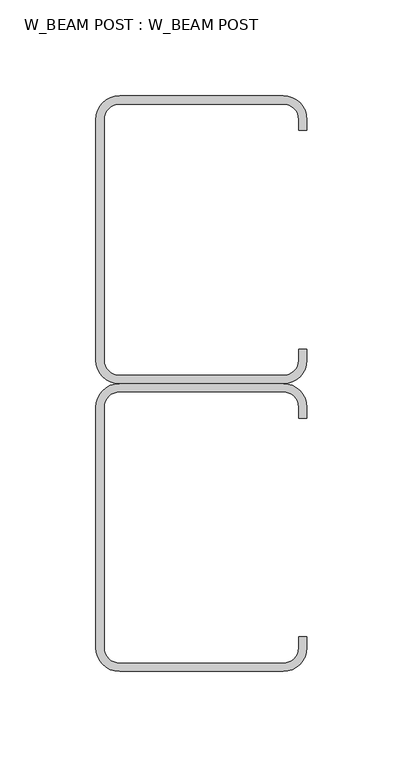
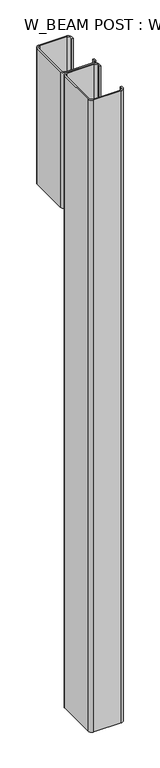
"""IFC4 building model written with IfcOpenShell, lengths in millimetres: proxy geometry, W_BEAM POST : W_BEAM POST."""

from ifc_helpers import new_model, si_unit, point, frame, frame_2d, origin, place, context, project, spatial, polyline, circle_curve, trimmed, segment, composite_curve, outline, extrude, source, transform, mapped, element, save


def w_beam_post_w_beam_post_7fe25b68(model_context):
    return source(origin(), model_context, "Body", "SweptSolid", [
        extrude(outline(composite_curve([segment(polyline([(-55.0, -287.7), (-55.0, -162.2999999)]), True, "CONTINUOUS"), segment(trimmed(circle_curve(frame_2d((-42.7, -162.2999999)), 12.3), [point((-55.0, -162.2999999))], [point((-42.7, -150.0))], False, "CARTESIAN"), True, "CONTINUOUS"), segment(polyline([(-42.7, -150.0), (42.7, -150.0)]), True, "CONTINUOUS"), segment(trimmed(circle_curve(frame_2d((42.7, -162.2999999)), 12.3), [point((42.7, -150.0))], [point((55.0, -162.2999999))], False, "CARTESIAN"), True, "CONTINUOUS"), segment(polyline([(55.0, -162.2999999), (55.0, -167.9999999), (50.7, -167.9999999), (50.7, -162.2999999)]), True, "CONTINUOUS"), segment(trimmed(circle_curve(frame_2d((42.7, -162.2999999)), 8.0), [point((50.7, -162.2999999))], [point((42.7, -154.2999999))], True, "CARTESIAN"), True, "CONTINUOUS"), segment(polyline([(42.7, -154.2999999), (-42.6999999, -154.2999999)]), True, "CONTINUOUS"), segment(trimmed(circle_curve(frame_2d((-42.6999999, -162.3)), 8.0), [point((-42.6999999, -154.2999999))], [point((-50.7, -162.3))], True, "CARTESIAN"), True, "CONTINUOUS"), segment(polyline([(-50.7, -162.3), (-50.7, -287.6999999)]), True, "CONTINUOUS"), segment(trimmed(circle_curve(frame_2d((-42.7, -287.6999999)), 8.0), [point((-50.7, -287.6999999))], [point((-42.7, -295.6999999))], True, "CARTESIAN"), True, "CONTINUOUS"), segment(polyline([(-42.7, -295.6999999), (42.6999999, -295.6999999)]), True, "CONTINUOUS"), segment(trimmed(circle_curve(frame_2d((42.6999999, -287.6999999)), 8.0), [point((42.6999999, -295.6999999))], [point((50.7, -287.6999999))], True, "CARTESIAN"), True, "CONTINUOUS"), segment(polyline([(50.7, -287.6999999), (50.7, -281.9999999), (55.0, -281.9999999), (55.0, -287.6999999)]), True, "CONTINUOUS"), segment(trimmed(circle_curve(frame_2d((42.7, -287.6999999)), 12.3), [point((55.0, -287.6999999))], [point((42.7, -299.9999999))], False, "CARTESIAN"), True, "CONTINUOUS"), segment(polyline([(42.7, -299.9999999), (-42.7, -299.9999999)]), True, "CONTINUOUS"), segment(trimmed(circle_curve(frame_2d((-42.7, -287.7)), 12.3), [point((-42.7, -299.9999999))], [point((-55.0, -287.7))], False, "CARTESIAN"), True, "CONTINUOUS")], self_intersect=False)), frame((0.0, 0.0, -1256.0), z_axis=(0.0, 0.0, 1.0), x_axis=(1.0, 0.0, 0.0)), (0.0, 0.0, 1.0), 2100.0),
        extrude(outline(composite_curve([segment(trimmed(circle_curve(frame_2d((-42.7, -12.3)), 12.3), [point((-55.0, -12.3))], [point((-42.7, 1e-07))], False, "CARTESIAN"), True, "CONTINUOUS"), segment(polyline([(-42.7, 1e-07), (42.7, 0.0)]), True, "CONTINUOUS"), segment(trimmed(circle_curve(frame_2d((42.7, -12.3)), 12.3), [point((42.7, 0.0))], [point((54.9999999, -12.3))], False, "CARTESIAN"), True, "CONTINUOUS"), segment(polyline([(54.9999999, -12.3), (55.0, -18.0), (50.7, -18.0), (50.7, -12.3)]), True, "CONTINUOUS"), segment(trimmed(circle_curve(frame_2d((42.6999999, -12.3)), 8.0), [point((50.7, -12.3))], [point((42.6999999, -4.3))], True, "CARTESIAN"), True, "CONTINUOUS"), segment(polyline([(42.6999999, -4.3), (-42.7, -4.3)]), True, "CONTINUOUS"), segment(trimmed(circle_curve(frame_2d((-42.7, -12.3)), 8.0), [point((-42.7, -4.3))], [point((-50.6999999, -12.3))], True, "CARTESIAN"), True, "CONTINUOUS"), segment(polyline([(-50.6999999, -12.3), (-50.7, -137.6999999)]), True, "CONTINUOUS"), segment(trimmed(circle_curve(frame_2d((-42.6999999, -137.6999999)), 8.0), [point((-50.7, -137.6999999))], [point((-42.6999999, -145.7))], True, "CARTESIAN"), True, "CONTINUOUS"), segment(polyline([(-42.6999999, -145.7), (42.7, -145.7)]), True, "CONTINUOUS"), segment(trimmed(circle_curve(frame_2d((42.7, -137.7)), 8.0), [point((42.7, -145.7))], [point((50.6999999, -137.7))], True, "CARTESIAN"), True, "CONTINUOUS"), segment(polyline([(50.6999999, -137.7), (50.7, -132.0), (55.0, -132.0), (55.0, -137.7)]), True, "CONTINUOUS"), segment(trimmed(circle_curve(frame_2d((42.7, -137.7)), 12.3), [point((55.0, -137.7))], [point((42.7, -150.0))], False, "CARTESIAN"), True, "CONTINUOUS"), segment(polyline([(42.7, -150.0), (-42.7, -150.0)]), True, "CONTINUOUS"), segment(trimmed(circle_curve(frame_2d((-42.7, -137.7)), 12.3), [point((-42.7, -150.0))], [point((-54.9999999, -137.7))], False, "CARTESIAN"), True, "CONTINUOUS"), segment(polyline([(-54.9999999, -137.7), (-55.0, -12.3)]), True, "CONTINUOUS")], self_intersect=False)), frame((0.0, 0.0, 394.0), z_axis=(0.0, 0.0, 1.0), x_axis=(1.0, 0.0, 0.0)), (0.0, 0.0, 1.0), 450.0),
    ])


if __name__ == "__main__":
    model = new_model("IFC4")
    model_context = context("Model", 3, world=origin())
    ifc_project = project(units=[si_unit("LENGTHUNIT", "METRE", prefix="MILLI")], contexts=[model_context])
    site = spatial("IfcSite", under=ifc_project)
    building = spatial("IfcBuilding", under=site)
    placement = place(None, origin())
    w_beam_post_w_beam_post_shape = w_beam_post_w_beam_post_7fe25b68(model_context)
    element("IfcBuildingElementProxy", 1, Name="W_BEAM POST : W_BEAM POST", ObjectType="W_BEAM POST : W_BEAM POST", at=placement, inside=building, context=model_context, shape_type="MappedRepresentation", body=[
        mapped(w_beam_post_w_beam_post_shape, transform((0.0, 0.0, 0.0), x_axis=(1.0, 0.0, 0.0), y_axis=(0.0, 1.0, 0.0), z_axis=(0.0, 0.0, 1.0))),
    ])
    save(model, "model.ifc")
